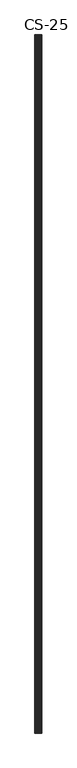
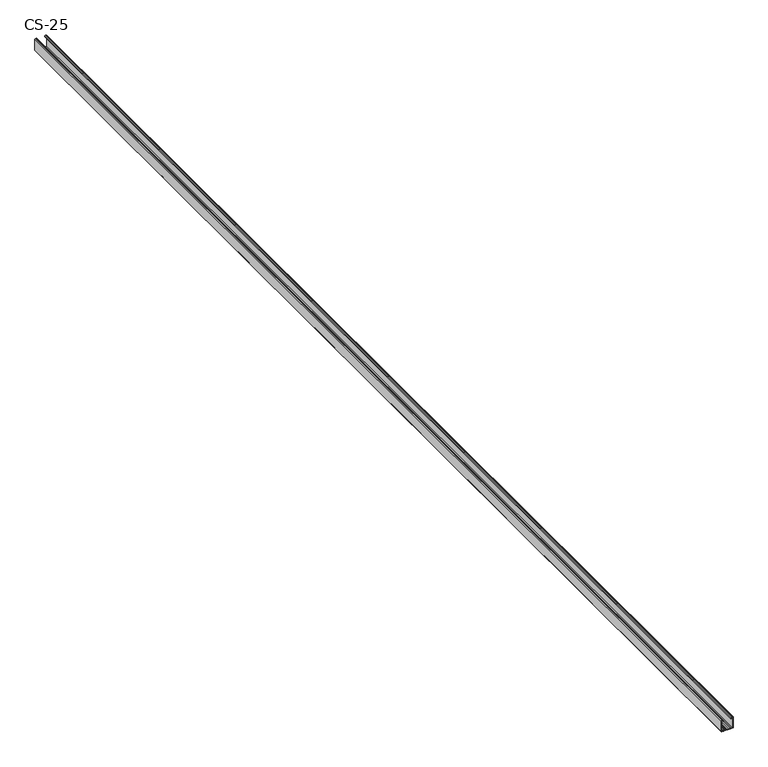
"""IFC4 building model written with IfcOpenShell, lengths in millimetres: proxy geometry, CS-25."""

from ifc_helpers import new_model, si_unit, point, frame, frame_2d, origin, place, context, project, spatial, polyline, circle_curve, trimmed, segment, composite_curve, outline, extrude, source, transform, mapped, element, save


def cs_25_fb57d6ea(model_context):
    return source(origin(), model_context, "Body", "SweptSolid", [
        extrude(outline(composite_curve([segment(polyline([(-25.0, -12.5), (-25.0, -7.6), (-23.7, -7.6), (-23.7, -6.8), (-24.5, -6.8), (-24.5, -4.7), (-23.7, -4.7), (-23.7, -3.9), (-24.5, -3.9), (-24.5, -1.8), (-23.7, -1.8), (-23.7, -1.0), (-24.5, -1.0), (-24.5, 1.0), (-23.7, 1.0), (-23.7, 1.8), (-24.5, 1.8), (-24.5, 3.9), (-23.7, 3.9), (-23.7, 4.7), (-24.5, 4.7), (-24.5, 6.8), (-23.7, 6.8), (-23.7, 7.6), (-25.0, 7.6), (-25.0, 12.5), (-1.0, 12.5)]), True, "CONTINUOUS"), segment(trimmed(circle_curve(frame_2d((-1.0, 11.5)), 1.0), [point((-1.0, 12.5))], [point((0.0, 11.5))], False, "CARTESIAN"), True, "CONTINUOUS"), segment(polyline([(0.0, 11.5), (0.0, 9.2778679)]), True, "CONTINUOUS"), segment(trimmed(circle_curve(frame_2d((-0.7947911, 9.3690108)), 0.8), [point((0.0, 9.2778679))], [point((-0.4479055, 8.6481292))], False, "CARTESIAN"), True, "CONTINUOUS"), segment(polyline([(-0.4479055, 8.6481292), (-2.9940841, 8.0), (-3.1346768, 8.7973409), (-0.5, 9.1466568), (-0.5, 11.5)]), True, "CONTINUOUS"), segment(trimmed(circle_curve(frame_2d((-1.0, 11.5)), 0.5), [point((-0.5, 11.5))], [point((-1.0, 12.0))], True, "CARTESIAN"), True, "CONTINUOUS"), segment(polyline([(-1.0, 12.0), (-24.5, 12.0), (-24.5, 8.0671937), (-23.2, 8.0671937), (-23.2, 6.3), (-24.0, 6.3), (-24.0, 5.2), (-23.2, 5.2), (-23.2, 3.4), (-24.0, 3.4), (-24.0, 2.3), (-23.2, 2.3), (-23.2, 0.5), (-24.0, 0.5), (-24.0, -0.5), (-23.2, -0.5), (-23.2, -2.3), (-24.0, -2.3), (-24.0, -3.4), (-23.2, -3.4), (-23.2, -5.2), (-24.0, -5.2), (-24.0, -6.3), (-23.2, -6.3), (-23.2, -8.1), (-24.5, -8.1), (-24.5, -12.0), (-1.0, -12.0)]), True, "CONTINUOUS"), segment(trimmed(circle_curve(frame_2d((-1.0, -11.5)), 0.5), [point((-1.0, -12.0))], [point((-0.5, -11.5))], True, "CARTESIAN"), True, "CONTINUOUS"), segment(polyline([(-0.5, -11.5), (-0.5, -9.1466568), (-3.1346768, -8.7973409), (-2.9940841, -8.0), (-0.4479055, -8.6481292)]), True, "CONTINUOUS"), segment(trimmed(circle_curve(frame_2d((-0.7947911, -9.3690108)), 0.8), [point((-0.4479055, -8.6481292))], [point((0.0, -9.2778679))], False, "CARTESIAN"), True, "CONTINUOUS"), segment(polyline([(0.0, -9.2778679), (0.0, -11.5)]), True, "CONTINUOUS"), segment(trimmed(circle_curve(frame_2d((-1.0, -11.5)), 1.0), [point((0.0, -11.5))], [point((-1.0, -12.5))], False, "CARTESIAN"), True, "CONTINUOUS"), segment(polyline([(-1.0, -12.5), (-25.0, -12.5)]), True, "CONTINUOUS")], self_intersect=False)), frame((0.0, 0.0, 0.0), z_axis=(0.0, 1.0, 0.0), x_axis=(0.0, 0.0, 1.0)), (0.0, 0.0, 1.0), 2500.0),
    ])


if __name__ == "__main__":
    model = new_model("IFC4")
    model_context = context("Model", 3, world=origin())
    ifc_project = project(units=[si_unit("LENGTHUNIT", "METRE", prefix="MILLI")], contexts=[model_context])
    site = spatial("IfcSite", under=ifc_project)
    building = spatial("IfcBuilding", under=site)
    placement = place(None, origin())
    cs_25_shape = cs_25_fb57d6ea(model_context)
    element("IfcBuildingElementProxy", 1, Name="CS-25", ObjectType="CS-25", at=placement, inside=building, context=model_context, shape_type="MappedRepresentation", body=[
        mapped(cs_25_shape, transform((0.0, 0.0, 0.0), x_axis=(1.0, 0.0, 0.0), y_axis=(0.0, 1.0, 0.0), z_axis=(0.0, 0.0, 1.0))),
    ])
    save(model, "model.ifc")
